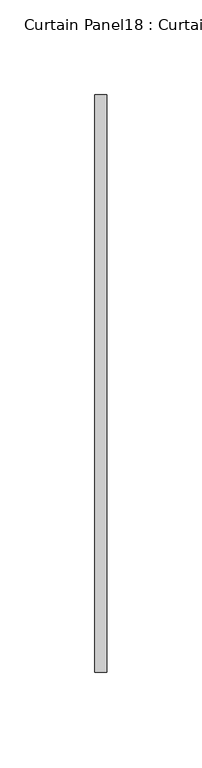
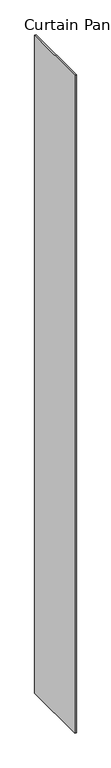
"""IFC4 building model written with IfcOpenShell, lengths in millimetres: plate geometry, Curtain Panel18 : Curtain Panel."""

from ifc_helpers import new_model, si_unit, origin, origin_with_axes, place, context, project, spatial, polyline, outline, extrude, source, transform, mapped, element, save


def curtain_panel18_curtain_panel_74a8fac8(model_context):
    return source(origin(), model_context, "Body", "SweptSolid", [
        extrude(outline(polyline([(189515.6810674, 2030.7041784), (189515.6810674, 2335.5041784), (189522.0310674, 2335.5041784), (189522.0310674, 2030.7041784), (189515.6810674, 2030.7041784)])), origin_with_axes(), (0.0, 0.0, 1.0), 3048.0),
    ])


if __name__ == "__main__":
    model = new_model("IFC4")
    model_context = context("Model", 3, world=origin())
    ifc_project = project(units=[si_unit("LENGTHUNIT", "METRE", prefix="MILLI")], contexts=[model_context])
    site = spatial("IfcSite", under=ifc_project)
    building = spatial("IfcBuilding", under=site)
    placement = place(None, origin())
    curtain_panel18_curtain_panel_shape = curtain_panel18_curtain_panel_74a8fac8(model_context)
    element("IfcPlate", 1, ObjectType="Curtain Panel18 : Curtain Panel", at=placement, inside=building, context=model_context, shape_type="MappedRepresentation", body=[
        mapped(curtain_panel18_curtain_panel_shape, transform((0.0, 0.0, 0.0), x_axis=(1.0, 0.0, 0.0), y_axis=(0.0, 1.0, 0.0), z_axis=(0.0, 0.0, 1.0))),
    ])
    save(model, "model.ifc")
